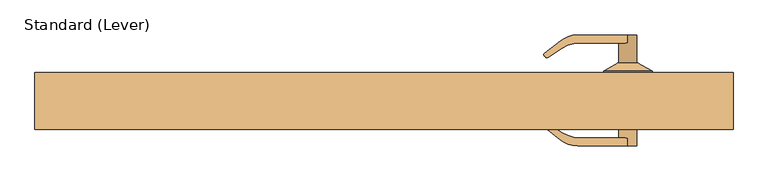
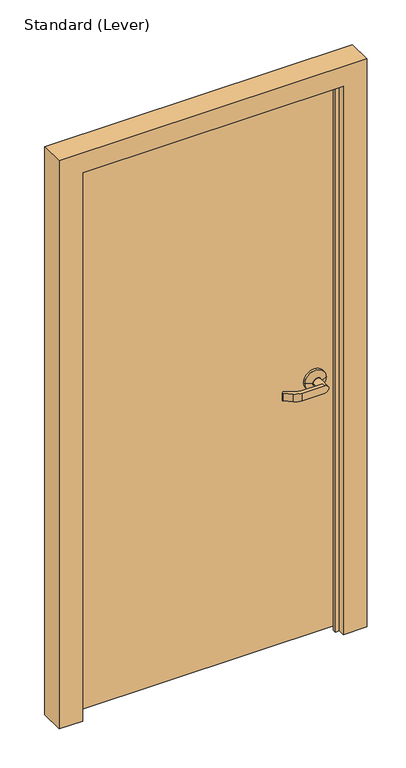
"""IFC4 building model written with IfcOpenShell, lengths in millimetres: door geometry, Standard (Lever)."""

import ifcopenshell
import ifcopenshell.guid

model = None  # the IFC model being written
_history = None  # IfcOwnerHistory: only IFC2X3 demands one
_inside = {}  # id of a spatial element -> (the spatial element, [elements in it])
_under = {}  # id of a project, library or spatial element -> (it, [spatial elements below it])
_declared = {}  # id of a project -> (the project, [libraries it declares])
_typed = {}  # id of a type object -> (the type object, [elements of that type])
_made_of = {}  # id of a material, layer set ... -> (it, [elements and type objects made of it])


def new_model(schema):
    """Start an empty IFC model of exactly this schema.

    Asked for "IFC4X3", IfcOpenShell would pick the latest addendum, in which some entities
    have other attributes; the version numbers below select the first issue.
    IFC2X3 requires an IfcOwnerHistory on every rooted entity: one is made here for all.
    """
    global model, _history
    if schema == "IFC4X3":
        model = ifcopenshell.file(schema_version=(4, 3, 0, 0))
    else:
        model = ifcopenshell.file(schema=schema)
    _inside.clear()
    _under.clear()
    _declared.clear()
    _typed.clear()
    _made_of.clear()
    _history = None
    if model.schema == "IFC2X3":
        org = make("IfcOrganization", Name="unknown")
        user = make(
            "IfcPersonAndOrganization",
            ThePerson=make("IfcPerson", FamilyName="unknown"),
            TheOrganization=org,
        )
        app = make(
            "IfcApplication",
            ApplicationDeveloper=org,
            Version="unknown",
            ApplicationFullName="unknown",
            ApplicationIdentifier="unknown",
        )
        _history = make(
            "IfcOwnerHistory",
            OwningUser=user,
            OwningApplication=app,
            ChangeAction="ADDED",
            CreationDate=0,
        )
    return model


def make(cls, **values):
    """One entity of the class cls with the attributes given. An attribute that is None is left unset."""
    return model.create_entity(
        cls, **{name: value for name, value in values.items() if value is not None}
    )


def rooted(cls, **values):
    """An entity with a GlobalId (a new one), such as an element, a storey or a relation."""
    return make(cls, GlobalId=ifcopenshell.guid.new(), OwnerHistory=_history, **values)


def si_unit(unit_type, name, prefix=None):
    """IfcSIUnit, for example si_unit("LENGTHUNIT", "METRE", prefix="MILLI")."""
    return make("IfcSIUnit", UnitType=unit_type, Prefix=prefix, Name=name)


def assignment(units):
    """IfcUnitAssignment: the units of a project."""
    return None if units is None else make("IfcUnitAssignment", Units=units)


def point(xyz):
    """IfcCartesianPoint."""
    return None if xyz is None else make("IfcCartesianPoint", Coordinates=xyz)


def direction(xyz):
    """IfcDirection."""
    return None if xyz is None else make("IfcDirection", DirectionRatios=xyz)


def frame(location, z_axis=None, x_axis=None):
    """IfcAxis2Placement3D, a coordinate frame: its origin and axes. An axis left out is left unset."""
    return make(
        "IfcAxis2Placement3D",
        Location=point(location),
        Axis=direction(z_axis),
        RefDirection=direction(x_axis),
    )


def origin():
    """The frame at (0, 0, 0) with its axes left unset."""
    return frame((0.0, 0.0, 0.0))


def place(relative_to, where):
    """IfcLocalPlacement: puts the frame where relative to a parent placement (None: the world)."""
    return make(
        "IfcLocalPlacement", PlacementRelTo=relative_to, RelativePlacement=where
    )


def context(
    kind, dimensions, precision=None, world=None, true_north=None, identifier=None
):
    """IfcGeometricRepresentationContext, for example the 3D "Model" context."""
    return make(
        "IfcGeometricRepresentationContext",
        ContextIdentifier=identifier,
        ContextType=kind,
        CoordinateSpaceDimension=dimensions,
        Precision=precision,
        WorldCoordinateSystem=world,
        TrueNorth=true_north,
    )


def project(units=None, contexts=None):
    """IfcProject with its units and contexts."""
    return rooted(
        "IfcProject",
        Name="project",
        RepresentationContexts=contexts,
        UnitsInContext=assignment(units),
    )


def spatial(cls, under=None, at=None, **own):
    """A site, building, storey or space (cls), placed at a placement, below another one or the project."""
    s = rooted(cls, ObjectPlacement=at, **own)
    if under is not None:
        _under.setdefault(under.id(), (under, []))[1].append(s)
    return s


def polyline(points):
    """IfcPolyline through the points."""
    return make("IfcPolyline", Points=[point(p) for p in points])


def circle_curve(where, radius):
    """IfcCircle in the frame where."""
    return make("IfcCircle", Position=where, Radius=radius)


def outline(outer, holes=None, kind="AREA"):
    """IfcArbitraryClosedProfileDef: a profile drawn as a closed curve; with holes, ...WithVoids."""
    if holes is None:
        return make("IfcArbitraryClosedProfileDef", ProfileType=kind, OuterCurve=outer)
    return make(
        "IfcArbitraryProfileDefWithVoids",
        ProfileType=kind,
        OuterCurve=outer,
        InnerCurves=holes,
    )


def extrude(swept, where, along, depth):
    """IfcExtrudedAreaSolid: the profile swept, set in the frame where, extruded along a direction by depth."""
    return make(
        "IfcExtrudedAreaSolid",
        SweptArea=swept,
        Position=where,
        ExtrudedDirection=direction(along),
        Depth=depth,
    )


def faces_of(points, faces, orient=None, outer=None):
    """IfcFace entities. A face is a list of loops; a loop is a list of indices into points, from 0.

    orient and outer hold one flag for each loop. By default every Orientation is true, the
    first loop of a face is its IfcFaceOuterBound and the others are IfcFaceBound.
    """
    made = []
    for i, loops in enumerate(faces):
        bounds = []
        for j, loop in enumerate(loops):
            is_outer = j == 0 if outer is None else outer[i][j]
            bounds.append(
                make(
                    "IfcFaceOuterBound" if is_outer else "IfcFaceBound",
                    Bound=make("IfcPolyLoop", Polygon=[points[k] for k in loop]),
                    Orientation=True if orient is None else orient[i][j],
                )
            )
        made.append(make("IfcFace", Bounds=bounds))
    return made


def faceted_brep(points, faces, orient=None, outer=None, voids=None):
    """IfcFacetedBrep: a solid bounded by flat faces; with voids (closed shells), ...WithVoids."""
    shared = [point(p) for p in points]
    hull = make("IfcClosedShell", CfsFaces=faces_of(shared, faces, orient, outer))
    if voids is None:
        return make("IfcFacetedBrep", Outer=hull)
    return make(
        "IfcFacetedBrepWithVoids",
        Outer=hull,
        Voids=[
            make(cls, CfsFaces=faces_of(shared, fs, o, b)) for cls, fs, o, b in voids
        ],
    )


def shape(context_of_items, identifier, shape_type, items):
    """IfcShapeRepresentation: the items that make up one representation, for example the "Body"."""
    return make(
        "IfcShapeRepresentation",
        ContextOfItems=context_of_items,
        RepresentationIdentifier=identifier,
        RepresentationType=shape_type,
        Items=items,
    )


def source(mapping_origin, context_of_items, identifier, shape_type, items):
    """IfcRepresentationMap: a shape defined once, which mapped items show again and again."""
    return make(
        "IfcRepresentationMap",
        MappingOrigin=mapping_origin,
        MappedRepresentation=shape(context_of_items, identifier, shape_type, items),
    )


def transform(
    local_origin,
    x_axis=None,
    y_axis=None,
    z_axis=None,
    scale=None,
    scale2=None,
    scale3=None,
    uniform=True,
):
    """IfcCartesianTransformationOperator3D, or its non-uniform kind. x_axis, y_axis, z_axis: its Axis1, 2, 3."""
    if uniform:
        return make(
            "IfcCartesianTransformationOperator3D",
            Axis1=direction(x_axis),
            Axis2=direction(y_axis),
            LocalOrigin=point(local_origin),
            Scale=scale,
            Axis3=direction(z_axis),
        )
    return make(
        "IfcCartesianTransformationOperator3DnonUniform",
        Axis1=direction(x_axis),
        Axis2=direction(y_axis),
        LocalOrigin=point(local_origin),
        Scale=scale,
        Axis3=direction(z_axis),
        Scale2=scale2,
        Scale3=scale3,
    )


def mapped(mapping_source, mapping_target):
    """IfcMappedItem: shows the shape of a source again, moved by a transform."""
    return make(
        "IfcMappedItem", MappingSource=mapping_source, MappingTarget=mapping_target
    )


def made_of(thing, what):
    """Note that an element or type object is made of a material, layer set ...; save() writes the relation."""
    if what is not None:
        _made_of.setdefault(what.id(), (what, []))[1].append(thing)
    return thing


def element(
    cls,
    number,
    at=None,
    inside=None,
    cuts=None,
    type_object=None,
    material=None,
    context=None,
    identifier="Body",
    shape_type=None,
    held_by="IfcProductDefinitionShape",
    body=None,
    shapes=None,
    **own,
):
    """One element of the class cls, such as IfcWall. Its Tag is "e" and its number.

    at: its placement. inside: the storey or other place that contains it. cuts: it is an
    opening in that element (IfcRelVoidsElement). A single representation is given by context,
    identifier, shape_type and body (its items); several are given by shapes. held_by: the class
    of the entity that holds the representations. save() writes the other relations.
    """
    e = rooted(cls, Tag="e%d" % number, ObjectPlacement=at, **own)
    if body is not None:
        shapes = [shape(context, identifier, shape_type, body)]
    if shapes is not None:
        e.Representation = make(held_by, Representations=shapes)
    if inside is not None:
        _inside.setdefault(inside.id(), (inside, []))[1].append(e)
    if cuts is not None:
        rooted(
            "IfcRelVoidsElement", RelatingBuildingElement=cuts, RelatedOpeningElement=e
        )
    if type_object is not None:
        _typed.setdefault(type_object.id(), (type_object, []))[1].append(e)
    return made_of(e, material)


def aggregate(whole, parts):
    """IfcRelAggregates: a whole, such as a stair, and the parts it consists of."""
    return rooted("IfcRelAggregates", RelatingObject=whole, RelatedObjects=parts)


def save(model, path):
    """Write the relations noted so far, then the file.

    IfcRelAggregates (storeys below a building ...), IfcRelContainedInSpatialStructure (elements
    in a storey), IfcRelDefinesByType, IfcRelAssociatesMaterial and IfcRelDeclares: one each for
    every whole, place, type object, material and project.
    """
    for whole, parts in _under.values():
        aggregate(whole, parts)
    for where, things in _inside.values():
        rooted(
            "IfcRelContainedInSpatialStructure",
            RelatedElements=things,
            RelatingStructure=where,
        )
    for kind, things in _typed.values():
        rooted("IfcRelDefinesByType", RelatedObjects=things, RelatingType=kind)
    for what, things in _made_of.values():
        rooted("IfcRelAssociatesMaterial", RelatedObjects=things, RelatingMaterial=what)
    for by, libraries in _declared.values():
        rooted("IfcRelDeclares", RelatingContext=by, RelatedDefinitions=libraries)
    model.write(path)


def plane_surface(at):
    """IfcPlane: the flat surface through the origin of the frame at, square to its z axis."""
    return make("IfcPlane", Position=at)


def cylinder_surface(at, radius):
    """IfcCylindricalSurface: all points at the distance radius from the z axis of the frame at."""
    return make("IfcCylindricalSurface", Position=at, Radius=radius)


def revolved_surface(curve, axis_point, axis_direction):
    """IfcSurfaceOfRevolution: the curve turned about the line through axis_point along axis_direction."""
    return make(
        "IfcSurfaceOfRevolution",
        SweptCurve=make("IfcArbitraryOpenProfileDef", ProfileType="CURVE", Curve=curve),
        AxisPosition=make("IfcAxis1Placement", Location=point(axis_point), Axis=direction(axis_direction)),
    )


def advanced_brep(points, edges, surfaces, faces):
    """IfcAdvancedBrep: a solid bounded by faces that lie on surfaces and meet in shared edges.

    An edge is (start, end): straight between two places in points (the first is 0);
    or (start, end, curve); or (start, end, curve, False) where it runs against its curve.
    A face is (place in surfaces, loops), or (place, loops, False) where it looks against
    its surface's normal. A loop lists edges by number (the first is 1), with a minus sign
    where the edge is run from its end to its start. The first loop is the outer one.
    """
    corners = [point(p) for p in points]
    vertices = [make("IfcVertexPoint", VertexGeometry=c) for c in corners]
    made = []
    for start, end, *more in edges:
        made.append(
            make(
                "IfcEdgeCurve",
                EdgeStart=vertices[start],
                EdgeEnd=vertices[end],
                EdgeGeometry=more[0] if more else make("IfcPolyline", Points=[corners[start], corners[end]]),
                SameSense=more[1] if len(more) > 1 else True,
            )
        )
    hull = []
    for where, loops, *sense in faces:
        bounds = []
        for j, loop in enumerate(loops):
            ring = [make("IfcOrientedEdge", EdgeElement=made[abs(k) - 1], Orientation=k > 0) for k in loop]
            bounds.append(
                make(
                    "IfcFaceOuterBound" if j == 0 else "IfcFaceBound",
                    Bound=make("IfcEdgeLoop", EdgeList=ring),
                    Orientation=True,
                )
            )
        hull.append(make("IfcAdvancedFace", Bounds=bounds, FaceSurface=surfaces[where], SameSense=sense[0] if sense else True))
    return make("IfcAdvancedBrep", Outer=make("IfcClosedShell", CfsFaces=hull))


def standard_lever_da0fd961(model_context):
    return source(origin(), model_context, "Body", "SolidModel", [
        advanced_brep(
        [(420.6875, 38.89375, 965.2), (344.4875, 38.89375, 965.2), (344.4875, 46.83125, 965.2), (420.6875, 46.83125, 965.2), (396.875, 103.98125, 965.2), (382.5875, 103.98125, 950.9125), (303.8375396, 103.98125, 950.9125), (303.8375396, 103.98125, 979.4875), (382.5875, 103.98125, 979.4875), (396.875, 59.53125, 965.2), (368.3, 59.53125, 965.2), (368.3, 91.28125, 965.2), (382.5875, 91.28125, 950.9125), (382.5875, 91.28125, 979.4875), (398.4625, 59.53125, 965.2), (366.7125, 59.53125, 965.2), (307.180272, 91.28125, 979.4875), (276.2447239, 94.3800523, 979.4875), (251.9253134, 75.1242682, 979.4875), (251.6792118, 70.8743463, 979.4875), (253.6960617, 68.8574964, 979.4875), (257.0588233, 68.5040559, 979.4875), (279.512609, 83.0857149, 979.4875), (307.180272, 91.28125, 950.9125), (279.512609, 83.0857149, 950.9125), (257.0588233, 68.5040559, 950.9125), (253.6960617, 68.8574964, 950.9125), (251.6792118, 70.8743463, 950.9125), (251.9253134, 75.1242682, 950.9125), (276.2447239, 94.3800523, 950.9125)],
        [
            (0, 1, circle_curve(frame((382.5875, 38.89375, 965.2), z_axis=(0.0, -1.0, 0.0), x_axis=(-1.0, 0.0, 0.0)), 38.1)),
            (1, 0, circle_curve(frame((382.5875, 38.89375, 965.2), z_axis=(0.0, -1.0, 0.0), x_axis=(-1.0, 0.0, 0.0)), 38.1)),
            (1, 2),
            (2, 3, circle_curve(frame((382.5875, 46.83125, 965.2), z_axis=(0.0, -1.0, 0.0), x_axis=(-1.0, 0.0, 0.0)), 38.1)),
            (3, 0),
            (3, 2, circle_curve(frame((382.5875, 46.83125, 965.2), z_axis=(0.0, -1.0, 0.0), x_axis=(-1.0, 0.0, 0.0)), 38.1)),
            (4, 5, circle_curve(frame((382.5875, 103.98125, 965.2), z_axis=(0.0, 1.0, 0.0), x_axis=(-1.0, 0.0, 0.0)), 14.2875)),
            (5, 6),
            (6, 7),
            (7, 8),
            (8, 4, circle_curve(frame((382.5875, 103.98125, 965.2), z_axis=(0.0, 1.0, 0.0), x_axis=(-1.0, 0.0, 0.0)), 14.2875)),
            (4, 9),
            (9, 10, circle_curve(frame((382.5875, 59.53125, 965.2), z_axis=(0.0, 1.0, 0.0), x_axis=(-1.0, 0.0, 0.0)), 14.2875)),
            (10, 11),
            (11, 12, circle_curve(frame((382.5875, 91.28125, 965.2), z_axis=(0.0, -1.0, 0.0), x_axis=(-1.0, 0.0, 0.0)), 14.2875)),
            (12, 5),
            (8, 13),
            (13, 11, circle_curve(frame((382.5875, 91.28125, 965.2), z_axis=(0.0, -1.0, 0.0), x_axis=(-1.0, 0.0, 0.0)), 14.2875)),
            (10, 9, circle_curve(frame((382.5875, 59.53125, 965.2), z_axis=(0.0, 1.0, 0.0), x_axis=(-1.0, 0.0, 0.0)), 14.2875)),
            (14, 15, circle_curve(frame((382.5875, 59.53125, 965.2), z_axis=(0.0, 1.0, 0.0), x_axis=(1.0, 0.0, 0.0)), 15.875)),
            (15, 14, circle_curve(frame((382.5875, 59.53125, 965.2), z_axis=(0.0, 1.0, 0.0), x_axis=(-1.0, 0.0, 0.0)), 15.875)),
            (14, 3),
            (2, 15),
            (16, 13),
            (7, 17, circle_curve(frame((303.8375396, 59.53125, 979.4875), z_axis=(0.0, 0.0, 1.0), x_axis=(-1.0, 0.0, 0.0)), 44.45)),
            (17, 18),
            (18, 19, circle_curve(frame((253.6945929, 72.8897275, 979.4875), z_axis=(0.0, 0.0, 1.0), x_axis=(-1.0, 0.0, 0.0)), 2.8501794)),
            (19, 20),
            (20, 21, circle_curve(frame((255.5956738, 70.7571085, 979.4875), z_axis=(0.0, 0.0, 1.0), x_axis=(-1.0, 0.0, 0.0)), 2.6864572)),
            (21, 22),
            (22, 16, circle_curve(frame((307.180272, 40.48125, 979.4875), z_axis=(0.0, 0.0, -1.0), x_axis=(-1.0, 0.0, 0.0)), 50.8)),
            (23, 24, circle_curve(frame((307.180272, 40.48125, 950.9125), z_axis=(0.0, 0.0, 1.0), x_axis=(-1.0, 0.0, 0.0)), 50.8)),
            (24, 25),
            (25, 26, circle_curve(frame((255.5956738, 70.7571085, 950.9125), z_axis=(0.0, 0.0, -1.0), x_axis=(-1.0, 0.0, 0.0)), 2.6864572)),
            (26, 27),
            (27, 28, circle_curve(frame((253.6945929, 72.8897275, 950.9125), z_axis=(0.0, 0.0, -1.0), x_axis=(-1.0, 0.0, 0.0)), 2.8501794)),
            (28, 29),
            (29, 6, circle_curve(frame((303.8375396, 59.53125, 950.9125), z_axis=(0.0, 0.0, -1.0), x_axis=(-1.0, 0.0, 0.0)), 44.45)),
            (12, 23),
            (16, 23),
            (29, 17),
            (28, 18),
            (27, 19),
            (26, 20),
            (25, 21),
            (24, 22),
        ],
        [
            plane_surface(frame((344.4875, 38.89375, 965.2), z_axis=(0.0, -1.0, 0.0), x_axis=(0.0, 0.0, -1.0))),
            cylinder_surface(frame((382.5875, 38.89375, 965.2), z_axis=(0.0, 1.0, 0.0), x_axis=(-1.0, 0.0, 0.0)), 38.1),
            plane_surface(frame((368.3, 103.98125, 965.2), z_axis=(0.0, 1.0, 0.0), x_axis=(0.0, 0.0, 1.0))),
            cylinder_surface(frame((382.5875, 46.83125, 965.2), z_axis=(0.0, 1.0, 0.0), x_axis=(-1.0, 0.0, 0.0)), 14.2875),
            plane_surface(frame((382.5875, 59.53125, 965.2), z_axis=(0.0, 1.0, 0.0), x_axis=(0.0, 0.0, -1.0))),
            revolved_surface(polyline([(398.4625000291667, 59.53125, 965.2), (420.6875, 46.83125, 965.2)]), (382.5875, 68.6026786, 965.2), (0.0, -1.0, 0.0)),
            revolved_surface(polyline([(366.71249997083333, 59.53125, 965.2), (344.4875, 46.83125, 965.2)]), (382.5875, 68.6026786, 965.2), (0.0, -1.0, 0.0)),
            plane_surface(frame((382.5875, 91.28125, 979.4875), z_axis=(0.0, 0.0, 1.0), x_axis=(1.0, 0.0, 0.0))),
            plane_surface(frame((382.5875, 91.28125, 950.9125), z_axis=(0.0, 0.0, -1.0), x_axis=(-1.0, 0.0, 0.0))),
            plane_surface(frame((307.180272, 91.28125, 979.4875), z_axis=(0.0, -1.0, 0.0), x_axis=(0.0, 0.0, -1.0))),
            cylinder_surface(frame((303.8375396, 59.53125, 950.9125), z_axis=(0.0, 0.0, 1.0), x_axis=(-1.0, 0.0, 0.0)), 44.45),
            plane_surface(frame((276.2447239, 94.3800523, 979.4875), z_axis=(-0.6207607591148713, 0.7840000509841367, 0.0), x_axis=(0.0, 0.0, -1.0))),
            cylinder_surface(frame((253.6945929, 72.8897275, 950.9125), z_axis=(0.0, 0.0, 1.0), x_axis=(-1.0, 0.0, 0.0)), 2.8501794),
            plane_surface(frame((251.6792118, 70.8743463, 979.4875), z_axis=(-0.7071067811865505, -0.7071067811865446, 0.0), x_axis=(0.0, 0.0, -1.0))),
            cylinder_surface(frame((255.5956738, 70.7571085, 950.9125), z_axis=(0.0, 0.0, 1.0), x_axis=(-1.0, 0.0, 0.0)), 2.6864572),
            plane_surface(frame((257.0588233, 68.5040559, 979.4875), z_axis=(0.544639035015027, -0.838670567945424, 0.0), x_axis=(0.0, 0.0, -1.0))),
            revolved_surface(polyline([(256.380272, 40.48125, 950.9125), (256.380272, 40.48125, 979.4875)]), (307.180272, 40.48125, 950.9125), (0.0, 0.0, -1.0)),
        ],
        [
            (0, [[1, 2]]),
            (1, [[-2, 3, 4, 5]]),
            (1, [[-1, -5, 6, -3]]),
            (2, [[7, 8, 9, 10, 11]]),
            (3, [[12, 13, 14, 15, 16, -7]]),
            (3, [[-12, -11, 17, 18, -14, 19]]),
            (4, [[20, 21], [-13, -19]]),
            (5, [[-20, 22, -4, 23]]),
            (6, [[-21, -23, -6, -22]]),
            (7, [[24, -17, -10, 25, 26, 27, 28, 29, 30, 31]]),
            (8, [[32, 33, 34, 35, 36, 37, 38, -8, -16, 39]]),
            (9, [[-24, 40, -39, -15, -18]]),
            (10, [[-25, -9, -38, 41]]),
            (11, [[-26, -41, -37, 42]]),
            (12, [[-27, -42, -36, 43]]),
            (13, [[-28, -43, -35, 44]]),
            (14, [[-29, -44, -34, 45]]),
            (15, [[-30, -45, -33, 46]]),
            (16, [[-31, -46, -32, -40]]),
        ],
    ),
        advanced_brep(
        [(420.6875, -5.55625, 965.2), (344.4875, -5.55625, 965.2), (420.6875, -13.49375, 965.2), (344.4875, -13.49375, 965.2), (396.875, -70.64375, 965.2), (382.5875, -70.64375, 979.4875), (303.8375396, -70.64375, 979.4875), (303.8375396, -70.64375, 950.9125), (382.5875, -70.64375, 950.9125), (382.5875, -57.94375, 950.9125), (368.3, -57.94375, 965.2), (368.3, -26.19375, 965.2), (396.875, -26.19375, 965.2), (382.5875, -57.94375, 979.4875), (398.4625, -26.19375, 965.2), (366.7125, -26.19375, 965.2), (307.180272, -57.94375, 979.4875), (279.512609, -49.7482149, 979.4875), (257.0588233, -35.1665559, 979.4875), (253.6960617, -35.5199964, 979.4875), (251.6792118, -37.5368463, 979.4875), (251.9253134, -41.7867682, 979.4875), (276.2447239, -61.0425523, 979.4875), (307.180272, -57.94375, 950.9125), (276.2447239, -61.0425523, 950.9125), (251.9253134, -41.7867682, 950.9125), (251.6792118, -37.5368463, 950.9125), (253.6960617, -35.5199964, 950.9125), (257.0588233, -35.1665559, 950.9125), (279.512609, -49.7482149, 950.9125)],
        [
            (0, 1, circle_curve(frame((382.5875, -5.55625, 965.2), z_axis=(0.0, 1.0, 0.0), x_axis=(-1.0, 0.0, 0.0)), 38.1)),
            (1, 0, circle_curve(frame((382.5875, -5.55625, 965.2), z_axis=(0.0, 1.0, 0.0), x_axis=(-1.0, 0.0, 0.0)), 38.1)),
            (0, 2),
            (2, 3, circle_curve(frame((382.5875, -13.49375, 965.2), z_axis=(0.0, 1.0, 0.0), x_axis=(-1.0, 0.0, 0.0)), 38.1)),
            (3, 1),
            (3, 2, circle_curve(frame((382.5875, -13.49375, 965.2), z_axis=(0.0, 1.0, 0.0), x_axis=(-1.0, 0.0, 0.0)), 38.1)),
            (4, 5, circle_curve(frame((382.5875, -70.64375, 965.2), z_axis=(0.0, -1.0, 0.0), x_axis=(-1.0, 0.0, 0.0)), 14.2875)),
            (5, 6),
            (6, 7),
            (7, 8),
            (8, 4, circle_curve(frame((382.5875, -70.64375, 965.2), z_axis=(0.0, -1.0, 0.0), x_axis=(-1.0, 0.0, 0.0)), 14.2875)),
            (8, 9),
            (9, 10, circle_curve(frame((382.5875, -57.94375, 965.2), z_axis=(0.0, 1.0, 0.0), x_axis=(-1.0, 0.0, 0.0)), 14.2875)),
            (10, 11),
            (11, 12, circle_curve(frame((382.5875, -26.19375, 965.2), z_axis=(0.0, -1.0, 0.0), x_axis=(-1.0, 0.0, 0.0)), 14.2875)),
            (12, 4),
            (12, 11, circle_curve(frame((382.5875, -26.19375, 965.2), z_axis=(0.0, -1.0, 0.0), x_axis=(-1.0, 0.0, 0.0)), 14.2875)),
            (10, 13, circle_curve(frame((382.5875, -57.94375, 965.2), z_axis=(0.0, 1.0, 0.0), x_axis=(-1.0, 0.0, 0.0)), 14.2875)),
            (13, 5),
            (14, 15, circle_curve(frame((382.5875, -26.19375, 965.2), z_axis=(0.0, -1.0, 0.0), x_axis=(-1.0, 0.0, 0.0)), 15.875)),
            (15, 14, circle_curve(frame((382.5875, -26.19375, 965.2), z_axis=(0.0, -1.0, 0.0), x_axis=(1.0, 0.0, 0.0)), 15.875)),
            (15, 3),
            (2, 14),
            (16, 17, circle_curve(frame((307.180272, -7.14375, 979.4875), z_axis=(0.0, 0.0, -1.0), x_axis=(-1.0, 0.0, 0.0)), 50.8)),
            (17, 18),
            (18, 19, circle_curve(frame((255.5956738, -37.4196085, 979.4875), z_axis=(0.0, 0.0, 1.0), x_axis=(-1.0, 0.0, 0.0)), 2.6864572)),
            (19, 20),
            (20, 21, circle_curve(frame((253.6945929, -39.5522275, 979.4875), z_axis=(0.0, 0.0, 1.0), x_axis=(-1.0, 0.0, 0.0)), 2.8501794)),
            (21, 22),
            (22, 6, circle_curve(frame((303.8375396, -26.19375, 979.4875), z_axis=(0.0, 0.0, 1.0), x_axis=(-1.0, 0.0, 0.0)), 44.45)),
            (13, 16),
            (23, 9),
            (7, 24, circle_curve(frame((303.8375396, -26.19375, 950.9125), z_axis=(0.0, 0.0, -1.0), x_axis=(-1.0, 0.0, 0.0)), 44.45)),
            (24, 25),
            (25, 26, circle_curve(frame((253.6945929, -39.5522275, 950.9125), z_axis=(0.0, 0.0, -1.0), x_axis=(-1.0, 0.0, 0.0)), 2.8501794)),
            (26, 27),
            (27, 28, circle_curve(frame((255.5956738, -37.4196085, 950.9125), z_axis=(0.0, 0.0, -1.0), x_axis=(-1.0, 0.0, 0.0)), 2.6864572)),
            (28, 29),
            (29, 23, circle_curve(frame((307.180272, -7.14375, 950.9125), z_axis=(0.0, 0.0, 1.0), x_axis=(-1.0, 0.0, 0.0)), 50.8)),
            (23, 16),
            (22, 24),
            (21, 25),
            (20, 26),
            (19, 27),
            (18, 28),
            (17, 29),
        ],
        [
            plane_surface(frame((344.4875, -5.55625, 965.2), z_axis=(0.0, 1.0, 0.0), x_axis=(0.0, 0.0, -1.0))),
            cylinder_surface(frame((382.5875, -5.55625, 965.2), z_axis=(0.0, -1.0, 0.0), x_axis=(-1.0, 0.0, 0.0)), 38.1),
            plane_surface(frame((368.3, -70.64375, 965.2), z_axis=(0.0, -1.0, 0.0), x_axis=(0.0, 0.0, 1.0))),
            cylinder_surface(frame((382.5875, -13.49375, 965.2), z_axis=(0.0, -1.0, 0.0), x_axis=(-1.0, 0.0, 0.0)), 14.2875),
            plane_surface(frame((382.5875, -26.19375, 965.2), z_axis=(0.0, -1.0, 0.0), x_axis=(0.0, 0.0, -1.0))),
            revolved_surface(polyline([(366.71249997083333, -26.19375, 965.2), (344.4875, -13.493749999999999, 965.2)]), (382.5875, -35.2651786, 965.2), (0.0, 1.0, 0.0)),
            revolved_surface(polyline([(398.4625000291667, -26.19375, 965.2), (420.6875, -13.493749999999999, 965.2)]), (382.5875, -35.2651786, 965.2), (0.0, 1.0, 0.0)),
            plane_surface(frame((382.5875, -57.94375, 979.4875), z_axis=(0.0, 0.0, 1.0), x_axis=(1.0, 0.0, 0.0))),
            plane_surface(frame((382.5875, -57.94375, 950.9125), z_axis=(0.0, 0.0, -1.0), x_axis=(-1.0, 0.0, 0.0))),
            plane_surface(frame((307.180272, -57.94375, 979.4875), z_axis=(0.0, 1.0, 0.0), x_axis=(0.0, 0.0, -1.0))),
            cylinder_surface(frame((303.8375396, -26.19375, 950.9125), z_axis=(0.0, 0.0, 1.0), x_axis=(-1.0, 0.0, 0.0)), 44.45),
            plane_surface(frame((276.2447239, -61.0425523, 979.4875), z_axis=(-0.6207607591148713, -0.7840000509841367, 0.0), x_axis=(0.0, 0.0, -1.0))),
            cylinder_surface(frame((253.6945929, -39.5522275, 950.9125), z_axis=(0.0, 0.0, 1.0), x_axis=(-1.0, 0.0, 0.0)), 2.8501794),
            plane_surface(frame((251.6792118, -37.5368463, 979.4875), z_axis=(-0.7071067811865505, 0.7071067811865446, 0.0), x_axis=(0.0, 0.0, -1.0))),
            cylinder_surface(frame((255.5956738, -37.4196085, 950.9125), z_axis=(0.0, 0.0, 1.0), x_axis=(-1.0, 0.0, 0.0)), 2.6864572),
            plane_surface(frame((257.0588233, -35.1665559, 979.4875), z_axis=(0.544639035015027, 0.838670567945424, 0.0), x_axis=(0.0, 0.0, -1.0))),
            revolved_surface(polyline([(256.380272, -7.14375, 950.9125), (256.380272, -7.14375, 979.4875)]), (307.180272, -7.14375, 950.9125), (0.0, 0.0, -1.0)),
        ],
        [
            (0, [[1, 2]]),
            (1, [[3, 4, 5, -1]]),
            (1, [[-5, 6, -3, -2]]),
            (2, [[7, 8, 9, 10, 11]]),
            (3, [[-11, 12, 13, 14, 15, 16]]),
            (3, [[17, -14, 18, 19, -7, -16]]),
            (4, [[20, 21], [-17, -15]]),
            (5, [[22, -4, 23, -21]]),
            (6, [[-23, -6, -22, -20]]),
            (7, [[24, 25, 26, 27, 28, 29, 30, -8, -19, 31]]),
            (8, [[32, -12, -10, 33, 34, 35, 36, 37, 38, 39]]),
            (9, [[-18, -13, -32, 40, -31]]),
            (10, [[41, -33, -9, -30]]),
            (11, [[42, -34, -41, -29]]),
            (12, [[43, -35, -42, -28]]),
            (13, [[44, -36, -43, -27]]),
            (14, [[45, -37, -44, -26]]),
            (15, [[46, -38, -45, -25]]),
            (16, [[-40, -39, -46, -24]]),
        ],
    ),
        extrude(outline(polyline([(458.7875, 38.89375), (458.7875, -5.55625), (-458.7875, -5.55625), (-458.7875, 38.89375), (458.7875, 38.89375)])), frame((0.0, 0.0, 12.7), z_axis=(0.0, 0.0, 1.0), x_axis=(1.0, 0.0, 0.0)), (0.0, 0.0, 1.0), 2041.525),
        faceted_brep([(463.55, -44.45, 0.0), (463.55, -20.6375, 0.0), (449.2625, -20.6375, 0.0), (449.2625, -9.525, 0.0), (463.55, -9.525, 0.0), (463.55, 44.45, 0.0), (547.6875, 44.45, 0.0), (547.6875, -44.45, 0.0), (463.55, -44.45, 2060.575), (463.55, -20.6375, 2060.575), (-463.55, -20.6375, 2060.575), (-463.55, -20.6375, 0.0), (-449.2625, -20.6375, 0.0), (-449.2625, -20.6375, 2046.2875), (449.2625, -20.6375, 2046.2875), (449.2625, -9.525, 2046.2875), (-449.2625, -9.525, 2046.2875), (-449.2625, -9.525, 0.0), (-463.55, -9.525, 0.0), (-463.55, -9.525, 2060.575), (463.55, -9.525, 2060.575), (463.55, 44.45, 2060.575), (-463.55, 44.45, 2060.575), (-463.55, 44.45, 0.0), (-547.6875, 44.45, 0.0), (-547.6875, 44.45, 2133.6), (547.6875, 44.45, 2133.6), (547.6875, -44.45, 2133.6), (-547.6875, -44.45, 2133.6), (-547.6875, -44.45, 0.0), (-463.55, -44.45, 0.0), (-463.55, -44.45, 2060.575)], [[[0, 1, 2, 3, 4, 5, 6, 7]], [[1, 0, 8, 9]], [[2, 1, 9, 10, 11, 12, 13, 14]], [[3, 2, 14, 15]], [[4, 3, 15, 16, 17, 18, 19, 20]], [[5, 4, 20, 21]], [[6, 5, 21, 22, 23, 24, 25, 26]], [[7, 6, 26, 27]], [[0, 7, 27, 28, 29, 30, 31, 8]], [[30, 29, 24, 23, 18, 17, 12, 11]], [[24, 29, 28, 25]], [[19, 18, 23, 22]], [[12, 17, 16, 13]], [[30, 11, 10, 31]], [[28, 27, 26, 25]], [[10, 9, 8, 31]], [[15, 14, 13, 16]], [[21, 20, 19, 22]]]),
    ])


if __name__ == "__main__":
    model = new_model("IFC4")
    model_context = context("Model", 3, world=origin())
    ifc_project = project(units=[si_unit("LENGTHUNIT", "METRE", prefix="MILLI")], contexts=[model_context])
    site = spatial("IfcSite", under=ifc_project)
    building = spatial("IfcBuilding", under=site)
    placement = place(None, origin())
    standard_lever_shape = standard_lever_da0fd961(model_context)
    element("IfcDoor", 1, ObjectType="Standard (Lever)", at=placement, inside=building, context=model_context, shape_type="MappedRepresentation", body=[
        mapped(standard_lever_shape, transform((0.0, 0.0, 0.0), x_axis=(1.0, 0.0, 0.0), y_axis=(0.0, 1.0, 0.0), z_axis=(0.0, 0.0, 1.0))),
    ])
    save(model, "model.ifc")
